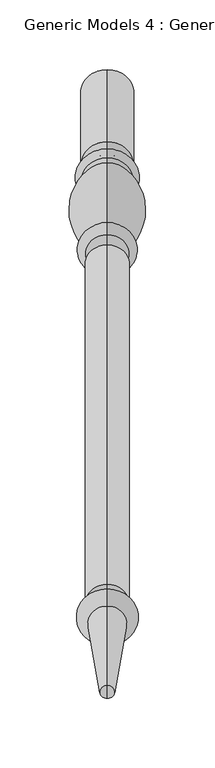
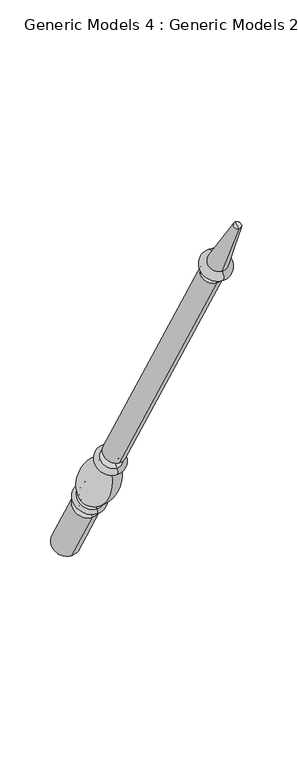
"""IFC4 building model written with IfcOpenShell, lengths in millimetres: proxy geometry, Generic Models 4 : Generic Models 2."""

from ifc_helpers import new_model, si_unit, point, frame, origin, place, context, project, spatial, polyline, circle_curve, ellipse_curve, trimmed, source, transform, mapped, element, save
from ifc_brep_helpers import plane_surface, cylinder_surface, revolved_surface, advanced_brep


def generic_models_4_generic_models_2_c0d367b3(model_context):
    return source(origin(), model_context, "Body", "AdvancedBrep", [
        advanced_brep(
        [(-2102.2684498, 1861.1601077, 610.5814746), (-2102.2684498, 1828.1645398, 591.5314746), (-2102.2684498, 1880.0576333, 501.65), (-2102.2684498, 1913.0532012, 520.7), (-2102.2684498, 1853.6896456, 623.5206944), (-2102.2684498, 1820.6940777, 604.4706944), (-2102.2684498, 1849.5864045, 630.6277165), (-2102.2684498, 1816.5908366, 611.5777165), (-2102.2684498, 1845.9182158, 636.9812058), (-2102.2684498, 1812.9226479, 617.9312058), (-2102.2684498, 1801.1569262, 703.055156), (-2102.2684498, 1778.0815733, 689.7325947), (-2102.2684498, 1799.8610191, 710.4046105), (-2102.2684498, 1772.3647125, 694.5296105), (-2102.2684498, 1794.1590629, 720.2806883), (-2102.2684498, 1766.6627563, 704.4056883), (-2102.2684498, 1786.7732215, 733.0733408), (-2102.2684498, 1759.276915, 717.1983408), (-2102.2684498, 1542.2982215, 1156.516462), (-2102.2684498, 1514.801915, 1140.641462), (-2102.2684498, 1537.2251467, 1153.5875209), (-2102.2684498, 1519.8749898, 1143.5704031), (-2102.2684498, 1531.1910418, 1164.0388972), (-2102.2684498, 1513.8408848, 1154.0217794), (-2102.2684498, 1534.7597609, 1166.0992981), (-2102.2684498, 1510.2721658, 1151.9613785), (-2102.2684498, 1526.5847892, 1180.2587644), (-2102.2684498, 1502.0971941, 1166.1208448), (-2102.2684498, 1469.4852742, 1261.8053229), (-2102.2684498, 1460.0255603, 1256.3437545), (-2102.2684498, 1464.7554173, 1259.0745387), (-2102.2684498, 1896.5554173, 511.175)],
        [
            (0, 1, circle_curve(frame((-2102.2684498, 1844.6623237, 601.0564746), z_axis=(0.0, 0.5000000000000062, -0.8660254037844352), x_axis=(0.0, -0.8660254037844352, -0.5000000000000062)), 19.05)),
            (1, 2),
            (2, 3, circle_curve(frame((-2102.2684498, 1896.5554173, 511.175), z_axis=(0.0, -0.5000000000000062, 0.8660254037844352), x_axis=(0.0, -0.8660254037844352, -0.5000000000000062)), 19.05)),
            (3, 0),
            (1, 0, circle_curve(frame((-2102.2684498, 1844.6623237, 601.0564746), z_axis=(0.0, 0.5000000000000062, -0.8660254037844352), x_axis=(0.0, -0.8660254037844352, -0.5000000000000062)), 19.05)),
            (3, 2, circle_curve(frame((-2102.2684498, 1896.5554173, 511.175), z_axis=(0.0, -0.5000000000000062, 0.8660254037844352), x_axis=(0.0, -0.8660254037844352, -0.5000000000000062)), 19.05)),
            (4, 5, circle_curve(frame((-2102.2684498, 1837.1918617, 613.9956944), z_axis=(0.0, 0.5000000000000062, -0.8660254037844352), x_axis=(0.0, -0.8660254037844352, -0.5000000000000062)), 19.05)),
            (5, 1, circle_curve(frame((-2102.2684498, 1821.8102989, 596.4889985), z_axis=(-1.0, 0.0, 0.0), x_axis=(0.0, 0.8660254037844352, 0.5000000000000062)), 8.0593685)),
            (0, 4, circle_curve(frame((-2102.2684498, 1860.0438865, 618.5631706), z_axis=(-1.0, 0.0, 0.0), x_axis=(0.0, -0.8660254037844352, -0.5000000000000062)), 8.0593685)),
            (5, 4, circle_curve(frame((-2102.2684498, 1837.1918617, 613.9956944), z_axis=(0.0, 0.5000000000000062, -0.8660254037844352), x_axis=(0.0, -0.8660254037844352, -0.5000000000000062)), 19.05)),
            (6, 7, circle_curve(frame((-2102.2684498, 1833.0886205, 621.1027165), z_axis=(0.0, 0.5000000000000062, -0.8660254037844352), x_axis=(0.0, -0.8660254037844352, -0.5000000000000062)), 19.05)),
            (7, 5, circle_curve(frame((-2102.2684498, 1818.6424572, 608.0242055), z_axis=(1.0, 0.0, 0.0), x_axis=(0.0, 0.8660254037844352, 0.5000000000000062)), 4.1032411)),
            (4, 6, circle_curve(frame((-2102.2684498, 1851.638025, 627.0742055), z_axis=(1.0, 0.0, 0.0), x_axis=(0.0, -0.8660254037844352, -0.5000000000000062)), 4.1032411)),
            (7, 6, circle_curve(frame((-2102.2684498, 1833.0886205, 621.1027165), z_axis=(0.0, 0.5000000000000062, -0.8660254037844352), x_axis=(0.0, -0.8660254037844352, -0.5000000000000062)), 19.05)),
            (8, 9, circle_curve(frame((-2102.2684498, 1829.4204318, 627.4562058), z_axis=(0.0, 0.5000000000000062, -0.8660254037844352), x_axis=(0.0, -0.8660254037844352, -0.5000000000000062)), 19.05)),
            (9, 7, circle_curve(frame((-2102.2684498, 1813.3633086, 613.9499618), z_axis=(-1.0, 0.0, 0.0), x_axis=(0.0, 0.8660254037844352, 0.5000000000000062)), 4.0055568)),
            (6, 8, circle_curve(frame((-2102.2684498, 1849.1457438, 634.6089605), z_axis=(-1.0, 0.0, 0.0), x_axis=(0.0, -0.8660254037844352, -0.5000000000000062)), 4.0055568)),
            (9, 8, circle_curve(frame((-2102.2684498, 1829.4204318, 627.4562058), z_axis=(0.0, 0.5000000000000062, -0.8660254037844352), x_axis=(0.0, -0.8660254037844352, -0.5000000000000062)), 19.05)),
            (10, 11, circle_curve(frame((-2102.2684498, 1789.6192497, 696.3938754), z_axis=(0.0, 0.5000000000000062, -0.8660254037844352), x_axis=(0.0, -0.8660254037844352, -0.5000000000000062)), 13.3225612)),
            (11, 9, circle_curve(frame((-2102.2684498, 1854.1299968, 682.2806335), z_axis=(1.0, 0.0, 0.0), x_axis=(0.0, 0.8660254037844352, 0.5000000000000062)), 76.412659)),
            (8, 10, circle_curve(frame((-2102.2684498, 1769.5863022, 633.4693086), z_axis=(1.0, 0.0, 0.0), x_axis=(0.0, -0.8660254037844352, -0.5000000000000062)), 76.412659)),
            (11, 10, circle_curve(frame((-2102.2684498, 1789.6192497, 696.3938754), z_axis=(0.0, 0.5000000000000062, -0.8660254037844352), x_axis=(0.0, -0.8660254037844352, -0.5000000000000062)), 13.3225612)),
            (12, 13, circle_curve(frame((-2102.2684498, 1786.1128658, 702.4671105), z_axis=(0.0, 0.5000000000000062, -0.8660254037844352), x_axis=(0.0, -0.8660254037844352, -0.5000000000000062)), 15.875)),
            (13, 11, circle_curve(frame((-2102.2684498, 1773.4069828, 689.9666873), z_axis=(-1.0, 0.0, 0.0), x_axis=(0.0, 0.8660254037844352, 0.5000000000000062)), 4.6804482)),
            (10, 12, circle_curve(frame((-2102.2684498, 1803.2914914, 707.2205164), z_axis=(-1.0, 0.0, 0.0), x_axis=(0.0, -0.8660254037844352, -0.5000000000000062)), 4.6804482)),
            (13, 12, circle_curve(frame((-2102.2684498, 1786.1128658, 702.4671105), z_axis=(0.0, 0.5000000000000062, -0.8660254037844352), x_axis=(0.0, -0.8660254037844352, -0.5000000000000062)), 15.875)),
            (14, 15, circle_curve(frame((-2102.2684498, 1780.4109096, 712.3431883), z_axis=(0.0, 0.5000000000000062, -0.8660254037844352), x_axis=(0.0, -0.8660254037844352, -0.5000000000000062)), 15.875)),
            (15, 13, circle_curve(frame((-2102.2684498, 1769.5137344, 699.4676494), z_axis=(1.0, 0.0, 0.0), x_axis=(0.0, 0.8660254037844352, 0.5000000000000062)), 5.7019562)),
            (12, 14, circle_curve(frame((-2102.2684498, 1797.010041, 715.3426494), z_axis=(1.0, 0.0, 0.0), x_axis=(0.0, -0.8660254037844352, -0.5000000000000062)), 5.7019562)),
            (15, 14, circle_curve(frame((-2102.2684498, 1780.4109096, 712.3431883), z_axis=(0.0, 0.5000000000000062, -0.8660254037844352), x_axis=(0.0, -0.8660254037844352, -0.5000000000000062)), 15.875)),
            (16, 17, circle_curve(frame((-2102.2684498, 1773.0250683, 725.1358408), z_axis=(0.0, 0.5000000000000062, -0.8660254037844352), x_axis=(0.0, -0.8660254037844352, -0.5000000000000062)), 15.875)),
            (17, 15, circle_curve(frame((-2102.2684498, 1762.9698356, 710.8020145), z_axis=(-1.0, 0.0, 0.0), x_axis=(0.0, 0.8660254037844352, 0.5000000000000062)), 7.3858413)),
            (14, 16, circle_curve(frame((-2102.2684498, 1790.4661422, 726.6770145), z_axis=(-1.0, 0.0, 0.0), x_axis=(0.0, -0.8660254037844352, -0.5000000000000062)), 7.3858413)),
            (17, 16, circle_curve(frame((-2102.2684498, 1773.0250683, 725.1358408), z_axis=(0.0, 0.5000000000000062, -0.8660254037844352), x_axis=(0.0, -0.8660254037844352, -0.5000000000000062)), 15.875)),
            (18, 19, circle_curve(frame((-2102.2684498, 1528.5500683, 1148.578962), z_axis=(0.0, 0.5000000000000062, -0.8660254037844352), x_axis=(0.0, -0.8660254037844352, -0.5000000000000062)), 15.875)),
            (19, 17),
            (16, 18),
            (19, 18, circle_curve(frame((-2102.2684498, 1528.5500683, 1148.578962), z_axis=(0.0, 0.5000000000000062, -0.8660254037844352), x_axis=(0.0, -0.8660254037844352, -0.5000000000000062)), 15.875)),
            (20, 21, circle_curve(frame((-2102.2684498, 1528.5500683, 1148.578962), z_axis=(0.0, 0.5000000000000062, -0.8660254037844352), x_axis=(0.0, -0.8660254037844352, -0.5000000000000062)), 10.0171178)),
            (21, 19),
            (18, 20),
            (21, 20, circle_curve(frame((-2102.2684498, 1528.5500683, 1148.578962), z_axis=(0.0, 0.5000000000000062, -0.8660254037844352), x_axis=(0.0, -0.8660254037844352, -0.5000000000000062)), 10.0171178)),
            (22, 23, circle_curve(frame((-2102.2684498, 1522.5159633, 1159.0303383), z_axis=(0.0, 0.5000000000000062, -0.8660254037844352), x_axis=(0.0, -0.8660254037844352, -0.5000000000000062)), 10.0171178)),
            (23, 21, circle_curve(frame((-2102.2684498, 1515.3020818, 1147.8978177), z_axis=(-1.0, 0.0, 0.0), x_axis=(0.0, 0.8660254037844352, 0.5000000000000062)), 6.295872)),
            (20, 22, circle_curve(frame((-2102.2684498, 1535.7639497, 1159.7114826), z_axis=(-1.0, 0.0, 0.0), x_axis=(0.0, -0.8660254037844352, -0.5000000000000062)), 6.295872)),
            (23, 22, circle_curve(frame((-2102.2684498, 1522.5159633, 1159.0303383), z_axis=(0.0, 0.5000000000000062, -0.8660254037844352), x_axis=(0.0, -0.8660254037844352, -0.5000000000000062)), 10.0171178)),
            (24, 25, circle_curve(frame((-2102.2684498, 1522.5159633, 1159.0303383), z_axis=(0.0, 0.5000000000000062, -0.8660254037844352), x_axis=(0.0, -0.8660254037844352, -0.5000000000000062)), 14.1379196)),
            (25, 23),
            (22, 24),
            (25, 24, circle_curve(frame((-2102.2684498, 1522.5159633, 1159.0303383), z_axis=(0.0, 0.5000000000000062, -0.8660254037844352), x_axis=(0.0, -0.8660254037844352, -0.5000000000000062)), 14.1379196)),
            (26, 27, circle_curve(frame((-2102.2684498, 1514.3409916, 1173.1898046), z_axis=(0.0, 0.5000000000000062, -0.8660254037844352), x_axis=(0.0, -0.8660254037844352, -0.5000000000000062)), 14.1379196)),
            (27, 25, circle_curve(frame((-2102.2684498, 1506.1846799, 1159.0411116), z_axis=(1.0, 0.0, 0.0), x_axis=(0.0, 0.8660254037844352, 0.5000000000000062)), 8.1749717)),
            (24, 26, circle_curve(frame((-2102.2684498, 1530.672275, 1173.1790313), z_axis=(1.0, 0.0, 0.0), x_axis=(0.0, -0.8660254037844352, -0.5000000000000062)), 8.1749717)),
            (27, 26, circle_curve(frame((-2102.2684498, 1514.3409916, 1173.1898046), z_axis=(0.0, 0.5000000000000062, -0.8660254037844352), x_axis=(0.0, -0.8660254037844352, -0.5000000000000062)), 14.1379196)),
            (28, 29, circle_curve(frame((-2102.2684498, 1464.7554173, 1259.0745387), z_axis=(0.0, 0.5000000000000062, -0.8660254037844352), x_axis=(0.0, -0.8660254037844352, -0.5000000000000062)), 5.4615684)),
            (29, 27),
            (26, 28),
            (29, 28, circle_curve(frame((-2102.2684498, 1464.7554173, 1259.0745387), z_axis=(0.0, 0.5000000000000062, -0.8660254037844352), x_axis=(0.0, -0.8660254037844352, -0.5000000000000062)), 5.4615684)),
            (30, 29),
            (28, 30),
            (2, 31),
            (31, 3),
        ],
        [
            cylinder_surface(frame((-2102.2684498, 1464.7554173, 1259.0745387), z_axis=(0.0, -0.5000000000000062, 0.8660254037844352), x_axis=(0.0, -0.8660254037844352, -0.5000000000000062)), 19.05),
            revolved_surface(trimmed(ellipse_curve(frame((-2102.2684498, 1821.8102989, 596.4889985), z_axis=(1.0, 0.0, 0.0), x_axis=(0.0, 0.8660254037844352, 0.5000000000000062)), 8.0593685, 8.0593685), [point((-2102.2684498, 1828.1645398, 591.5314746))], [point((-2102.2684498, 1820.6940777, 604.4706944))], True, "CARTESIAN"), (-2102.2684498, 1464.7554173, 1259.0745387), (0.0, -0.5000000000000062, 0.8660254037844352)),
            revolved_surface(trimmed(ellipse_curve(frame((-2102.2684498, 1818.6424572, 608.0242055), z_axis=(-1.0, 0.0, 0.0), x_axis=(0.0, 0.8660254037844352, 0.5000000000000062)), 4.1032411, 4.1032411), [point((-2102.2684498, 1820.6940777, 604.4706944))], [point((-2102.2684498, 1816.5908366, 611.5777165))], True, "CARTESIAN"), (-2102.2684498, 1464.7554173, 1259.0745387), (0.0, -0.5000000000000062, 0.8660254037844352)),
            revolved_surface(trimmed(ellipse_curve(frame((-2102.2684498, 1813.3633086, 613.9499618), z_axis=(1.0, 0.0, 0.0), x_axis=(0.0, 0.8660254037844352, 0.5000000000000062)), 4.0055568, 4.0055568), [point((-2102.2684498, 1816.5908366, 611.5777165))], [point((-2102.2684498, 1812.9226479, 617.9312058))], True, "CARTESIAN"), (-2102.2684498, 1464.7554173, 1259.0745387), (0.0, -0.5000000000000062, 0.8660254037844352)),
            revolved_surface(trimmed(ellipse_curve(frame((-2102.2684498, 1854.1299968, 682.2806335), z_axis=(-1.0, 0.0, 0.0), x_axis=(0.0, 0.8660254037844352, 0.5000000000000062)), 76.412659, 76.412659), [point((-2102.2684498, 1812.9226479, 617.9312058))], [point((-2102.2684498, 1778.0815733, 689.7325947))], True, "CARTESIAN"), (-2102.2684498, 1464.7554173, 1259.0745387), (0.0, -0.5000000000000062, 0.8660254037844352)),
            revolved_surface(trimmed(ellipse_curve(frame((-2102.2684498, 1773.4069828, 689.9666873), z_axis=(1.0, 0.0, 0.0), x_axis=(0.0, 0.8660254037844352, 0.5000000000000062)), 4.6804482, 4.6804482), [point((-2102.2684498, 1778.0815733, 689.7325947))], [point((-2102.2684498, 1772.3647125, 694.5296105))], True, "CARTESIAN"), (-2102.2684498, 1464.7554173, 1259.0745387), (0.0, -0.5000000000000062, 0.8660254037844352)),
            revolved_surface(trimmed(ellipse_curve(frame((-2102.2684498, 1769.5137344, 699.4676494), z_axis=(-1.0, 0.0, 0.0), x_axis=(0.0, 0.8660254037844352, 0.5000000000000062)), 5.7019562, 5.7019562), [point((-2102.2684498, 1772.3647125, 694.5296105))], [point((-2102.2684498, 1766.6627563, 704.4056883))], True, "CARTESIAN"), (-2102.2684498, 1464.7554173, 1259.0745387), (0.0, -0.5000000000000062, 0.8660254037844352)),
            revolved_surface(trimmed(ellipse_curve(frame((-2102.2684498, 1762.9698356, 710.8020145), z_axis=(1.0, 0.0, 0.0), x_axis=(0.0, 0.8660254037844352, 0.5000000000000062)), 7.3858413, 7.3858413), [point((-2102.2684498, 1766.6627563, 704.4056883))], [point((-2102.2684498, 1759.276915, 717.1983408))], True, "CARTESIAN"), (-2102.2684498, 1464.7554173, 1259.0745387), (0.0, -0.5000000000000062, 0.8660254037844352)),
            cylinder_surface(frame((-2102.2684498, 1464.7554173, 1259.0745387), z_axis=(0.0, -0.5000000000000062, 0.8660254037844352), x_axis=(0.0, -0.8660254037844352, -0.5000000000000062)), 15.875),
            plane_surface(frame((-2102.2684498, 1528.5500683, 1148.578962), z_axis=(0.0, -0.5000000000000062, 0.8660254037844352), x_axis=(0.0, -0.8660254037844352, -0.5000000000000062))),
            revolved_surface(trimmed(ellipse_curve(frame((-2102.2684498, 1515.3020818, 1147.8978177), z_axis=(1.0, 0.0, 0.0), x_axis=(0.0, 0.8660254037844352, 0.5000000000000062)), 6.295872, 6.295872), [point((-2102.2684498, 1519.8749898, 1143.5704031))], [point((-2102.2684498, 1513.8408848, 1154.0217794))], True, "CARTESIAN"), (-2102.2684498, 1464.7554173, 1259.0745387), (0.0, -0.5000000000000062, 0.8660254037844352)),
            plane_surface(frame((-2102.2684498, 1522.5159633, 1159.0303383), z_axis=(0.0, 0.5000000000000062, -0.8660254037844352), x_axis=(0.0, -0.8660254037844352, -0.5000000000000062))),
            revolved_surface(trimmed(ellipse_curve(frame((-2102.2684498, 1506.1846799, 1159.0411116), z_axis=(-1.0, 0.0, 0.0), x_axis=(0.0, 0.8660254037844352, 0.5000000000000062)), 8.1749717, 8.1749717), [point((-2102.2684498, 1510.2721658, 1151.9613785))], [point((-2102.2684498, 1502.0971941, 1166.1208448))], True, "CARTESIAN"), (-2102.2684498, 1464.7554173, 1259.0745387), (0.0, -0.5000000000000062, 0.8660254037844352)),
            revolved_surface(polyline([(-2102.2684498, 1502.0971941, 1166.1208448), (-2102.2684498, 1460.0255603, 1256.3437545)]), (-2102.2684498, 1464.7554173, 1259.0745387), (0.0, -0.5000000000000062, 0.8660254037844352)),
            plane_surface(frame((-2102.2684498, 1464.7554173, 1259.0745387), z_axis=(0.0, -0.5000000000000062, 0.8660254037844352), x_axis=(0.0, -0.8660254037844352, -0.5000000000000062))),
            plane_surface(frame((-2102.2684498, 1896.5554173, 511.175), z_axis=(0.0, 0.5000000000000062, -0.8660254037844352), x_axis=(0.0, -0.8660254037844352, -0.5000000000000062))),
        ],
        [
            (0, [[1, 2, 3, 4]]),
            (0, [[5, -4, 6, -2]]),
            (1, [[7, 8, -1, 9]]),
            (1, [[10, -9, -5, -8]]),
            (2, [[11, 12, -7, 13]]),
            (2, [[14, -13, -10, -12]]),
            (3, [[15, 16, -11, 17]]),
            (3, [[18, -17, -14, -16]]),
            (4, [[19, 20, -15, 21]]),
            (4, [[22, -21, -18, -20]]),
            (5, [[23, 24, -19, 25]]),
            (5, [[26, -25, -22, -24]]),
            (6, [[27, 28, -23, 29]]),
            (6, [[30, -29, -26, -28]]),
            (7, [[31, 32, -27, 33]]),
            (7, [[34, -33, -30, -32]]),
            (8, [[35, 36, -31, 37]]),
            (8, [[38, -37, -34, -36]]),
            (9, [[39, 40, -35, 41]]),
            (9, [[42, -41, -38, -40]]),
            (10, [[43, 44, -39, 45]]),
            (10, [[46, -45, -42, -44]]),
            (11, [[47, 48, -43, 49]]),
            (11, [[50, -49, -46, -48]]),
            (12, [[51, 52, -47, 53]]),
            (12, [[54, -53, -50, -52]]),
            (13, [[55, 56, -51, 57]]),
            (13, [[58, -57, -54, -56]]),
            (14, [[59, -55, 60]]),
            (14, [[-60, -58, -59]]),
            (15, [[-3, 61, 62]]),
            (15, [[-6, -62, -61]]),
        ],
    ),
    ])


if __name__ == "__main__":
    model = new_model("IFC4")
    model_context = context("Model", 3, world=origin())
    ifc_project = project(units=[si_unit("LENGTHUNIT", "METRE", prefix="MILLI")], contexts=[model_context])
    site = spatial("IfcSite", under=ifc_project)
    building = spatial("IfcBuilding", under=site)
    placement = place(None, origin())
    generic_models_4_generic_models_2_shape = generic_models_4_generic_models_2_c0d367b3(model_context)
    element("IfcBuildingElementProxy", 1, Name="Generic Models 4 : Generic Models 2", ObjectType="Generic Models 4 : Generic Models 2", at=placement, inside=building, context=model_context, shape_type="MappedRepresentation", body=[
        mapped(generic_models_4_generic_models_2_shape, transform((0.0, 0.0, 0.0), x_axis=(1.0, 0.0, 0.0), y_axis=(0.0, 1.0, 0.0), z_axis=(0.0, 0.0, 1.0))),
    ])
    save(model, "model.ifc")
